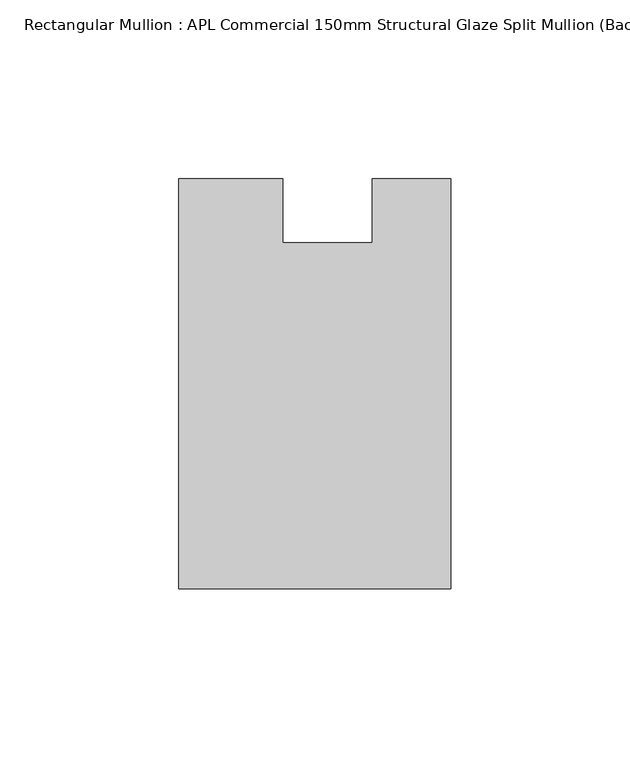
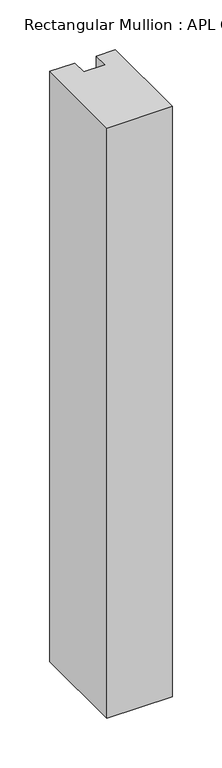
"""IFC4 building model written with IfcOpenShell, lengths in millimetres: member geometry, Rectangular Mullion : APL Commercial 150mm Structural Glaze Split Mullion (Back)."""

from ifc_helpers import new_model, si_unit, frame, origin, place, context, project, spatial, polyline, outline, extrude, source, transform, mapped, element, save


def rectangular_mullion_apl_commercial_150mm_structural_glaze_abe07b93(model_context):
    return source(origin(), model_context, "Body", "SweptSolid", [
        extrude(outline(polyline([(-75.999981, -129.5195626), (-75.999981, -14.9960123), (-46.9999896, -14.9960123), (-46.9999896, -32.7960123), (-21.9999896, -32.7960123), (-21.9999896, -14.9960123), (0.0, -14.9960123), (0.0, -129.5195626), (-75.999981, -129.5195626)])), frame((0.0, 0.0, -724.000019), z_axis=(0.0, 0.0, 1.0), x_axis=(1.0, 0.0, 0.0)), (0.0, 0.0, 1.0), 724.000019),
    ])


if __name__ == "__main__":
    model = new_model("IFC4")
    model_context = context("Model", 3, world=origin())
    ifc_project = project(units=[si_unit("LENGTHUNIT", "METRE", prefix="MILLI")], contexts=[model_context])
    site = spatial("IfcSite", under=ifc_project)
    building = spatial("IfcBuilding", under=site)
    placement = place(None, origin())
    rectangular_mullion_apl_commercial_150mm_structural_glaze_shape = rectangular_mullion_apl_commercial_150mm_structural_glaze_abe07b93(model_context)
    element("IfcMember", 1, ObjectType="Rectangular Mullion : APL Commercial 150mm Structural Glaze Split Mullion (Back)", at=placement, inside=building, context=model_context, shape_type="MappedRepresentation", body=[
        mapped(rectangular_mullion_apl_commercial_150mm_structural_glaze_shape, transform((0.0, 0.0, 0.0), x_axis=(1.0, 0.0, 0.0), y_axis=(0.0, 1.0, 0.0), z_axis=(0.0, 0.0, 1.0))),
    ])
    save(model, "model.ifc")
